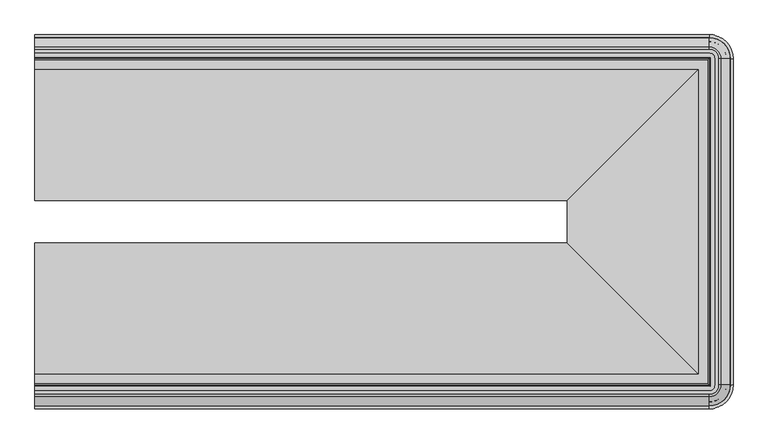
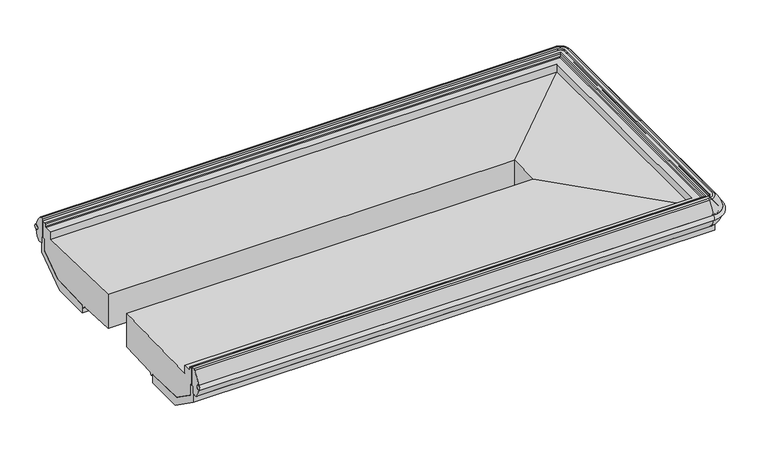
"""IFC4 building model written with IfcOpenShell, lengths in millimetres: proxy geometry."""

from ifc_helpers import new_model, si_unit, point, frame, origin, place, context, project, spatial, polyline, circle_curve, ellipse_curve, trimmed, faceted_brep, source, transform, mapped, element, save
from ifc_brep_helpers import plane_surface, cylinder_surface, revolved_surface, advanced_brep


def mechanical_equipment_14911a53(model_context):
    return source(origin(), model_context, "Body", "SolidModel", [
        advanced_brep(
        [(0.0, -2187.9511755, 564.6206228), (0.0, -1476.8941211, 583.240307), (0.0, -1476.8941211, 330.5006237), (0.0, -1763.1110468, 315.9996591), (0.0, -1778.1929526, 301.7115379), (0.0, -1793.2737198, 315.9985806), (0.0, -2091.4445063, 326.7908623), (0.0, -2254.2926353, 440.8183498), (0.0, -2254.2926353, 529.6852408), (0.0, -2277.0732774, 529.6852408), (0.0, -2277.0732774, 651.1666761), (0.0, -2251.8223149, 651.1666761), (0.0, -2247.771404, 646.4576372), (0.0, -2247.6800766, 625.4643319), (0.0, -2240.6602639, 622.6991544), (0.0, -2187.9511755, 622.6991544), (0.0, -535.7130791, 564.6206228), (0.0, -535.7130791, 622.6991544), (0.0, -483.0039907, 622.6991544), (0.0, -475.984178, 625.4643319), (0.0, -475.8928506, 646.4576372), (0.0, -471.8419397, 651.1666761), (0.0, -446.5909772, 651.1666761), (0.0, -446.5909772, 529.6852408), (0.0, -469.3716193, 529.6852408), (0.0, -469.3716193, 440.8183498), (0.0, -632.2197483, 326.7908623), (0.0, -930.3905348, 315.9985806), (0.0, -945.471302, 301.7115379), (0.0, -960.5532078, 315.9996591), (0.0, -1246.7701335, 330.5006237), (0.0, -1246.7701335, 583.240307), (2880.4869938, -1476.8941211, 583.240307), (3591.5440482, -2187.9511755, 564.6206228), (3591.5440482, -535.7130791, 564.6206228), (2880.4869938, -1246.7701335, 583.240307), (2880.4869938, -1476.8941211, 330.5006237), (2880.4869938, -1246.7701335, 330.5006237), (3166.7039195, -1763.1110468, 315.9996591), (3166.7039195, -960.5532078, 315.9996591), (3181.7858253, -1778.1929526, 301.7115379), (3181.7858253, -945.471302, 301.7115379), (3196.8665925, -1793.2737198, 315.9985806), (3196.8665925, -930.3905348, 315.9985806), (3495.037379, -2091.4445063, 326.7908623), (3495.037379, -632.2197483, 326.7908623), (3657.885508, -2254.2926353, 440.8183498), (3657.885508, -469.3716193, 440.8183498), (3657.885508, -2254.2926353, 529.6852408), (3657.885508, -469.3716193, 529.6852408), (3680.6661501, -2277.0732774, 651.1666761), (3680.6661501, -2277.0732774, 529.6852408), (3680.6661501, -446.5909772, 529.6852408), (3680.6661501, -446.5909772, 651.1666761), (3651.3642767, -2247.771404, 646.4576372), (3655.4151876, -2251.8223149, 651.1666761), (3655.4151876, -471.8419397, 651.1666761), (3651.3642767, -475.8928506, 646.4576372), (3651.2729493, -2247.6800766, 625.4643319), (3651.2729493, -475.984178, 625.4643319), (3644.2531366, -2240.6602639, 622.6991544), (3644.2531366, -483.0039907, 622.6991544), (3591.5440482, -2187.9511755, 622.6991544), (3591.5440482, -535.7130791, 622.6991544)],
        [
            (0, 1),
            (1, 2),
            (2, 3),
            (3, 4),
            (4, 5),
            (5, 6),
            (6, 7),
            (7, 8),
            (8, 9),
            (9, 10),
            (10, 11),
            (11, 12, circle_curve(frame((0.0, -2252.533904, 646.4576372), z_axis=(-1.0, 0.0, 0.0), x_axis=(0.0, 1.0, 0.0)), 4.7625)),
            (12, 13),
            (13, 14),
            (14, 15),
            (15, 0),
            (16, 17),
            (17, 18),
            (18, 19),
            (19, 20),
            (20, 21, circle_curve(frame((0.0, -471.1303506, 646.4576372), z_axis=(-1.0, 0.0, 0.0), x_axis=(0.0, -1.0, 0.0)), 4.7625)),
            (21, 22),
            (22, 23),
            (23, 24),
            (24, 25),
            (25, 26),
            (26, 27),
            (27, 28),
            (28, 29),
            (29, 30),
            (30, 31),
            (31, 16),
            (32, 33),
            (33, 34),
            (34, 35),
            (35, 32),
            (36, 32),
            (35, 37),
            (37, 36),
            (38, 36),
            (37, 39),
            (39, 38),
            (40, 38),
            (39, 41),
            (41, 40),
            (42, 40),
            (41, 43),
            (43, 42),
            (44, 42),
            (43, 45),
            (45, 44),
            (46, 44),
            (45, 47),
            (47, 46),
            (48, 46),
            (47, 49),
            (49, 48),
            (50, 51),
            (51, 52),
            (52, 53),
            (53, 50),
            (54, 55, ellipse_curve(frame((3656.1267767, -2252.533904, 646.4576372), z_axis=(0.7071067811865475, 0.7071067811865475, 0.0), x_axis=(0.7071067811865474, -0.7071067811865476, 0.0)), 6.7351921, 4.7625)),
            (55, 56),
            (56, 57, ellipse_curve(frame((3656.1267767, -471.1303506, 646.4576372), z_axis=(0.7071067811865475, -0.7071067811865475, 0.0), x_axis=(-0.7071067811865474, -0.7071067811865476, 0.0)), 6.7351921, 4.7625)),
            (57, 54),
            (58, 54),
            (57, 59),
            (59, 58),
            (60, 58),
            (59, 61),
            (61, 60),
            (33, 62),
            (62, 63),
            (63, 34),
            (34, 16),
            (31, 35),
            (30, 37),
            (29, 39),
            (28, 41),
            (27, 43),
            (26, 45),
            (25, 47),
            (24, 49),
            (52, 23),
            (22, 53),
            (56, 21),
            (20, 57),
            (19, 59),
            (18, 61),
            (63, 17),
            (0, 33),
            (32, 1),
            (36, 2),
            (38, 3),
            (40, 4),
            (42, 5),
            (44, 6),
            (46, 7),
            (48, 8),
            (51, 9),
            (50, 10),
            (55, 11),
            (54, 12),
            (58, 13),
            (60, 14),
            (62, 15),
        ],
        [
            plane_surface(frame((0.0, -2374.6571273, 0.0), z_axis=(-1.0, 0.0, 0.0), x_axis=(0.0, 0.0, 1.0))),
            plane_surface(frame((0.0, -349.0071273, 0.0), z_axis=(-1.0, 0.0, 0.0), x_axis=(0.0, 0.0, 1.0))),
            plane_surface(frame((3591.5440482, -2187.9511755, 564.6206228), z_axis=(0.0261769483079519, 0.0, 0.9996573249755553), x_axis=(0.0, 1.0, 0.0))),
            plane_surface(frame((2880.4869938, -1476.8941211, 583.240307), z_axis=(-1.0, 0.0, 0.0), x_axis=(0.0, 1.0, 0.0))),
            plane_surface(frame((2880.4869938, -1476.8941211, 330.5006237), z_axis=(-0.05059934604185503, 0.0, -0.9987190326513943), x_axis=(0.0, 1.0, 0.0))),
            plane_surface(frame((3166.7039195, -1763.1110468, 315.9996591), z_axis=(-0.6877446479107929, 0.0, -0.7259526839058175), x_axis=(0.0, 1.0, 0.0))),
            plane_surface(frame((3181.7858253, -1778.1929526, 301.7115379), z_axis=(0.687744647910848, 0.0, -0.7259526839057651), x_axis=(0.0, 1.0, 0.0))),
            plane_surface(frame((3196.8665925, -1793.2737198, 315.9985806), z_axis=(0.036171280996440035, 0.0, -0.9993456050991952), x_axis=(0.0, 1.0, 0.0))),
            plane_surface(frame((3495.037379, -2091.4445063, 326.7908623), z_axis=(0.5735764363510384, 0.0, -0.8191520442889972), x_axis=(0.0, 1.0, 0.0))),
            plane_surface(frame((3657.885508, -2254.2926353, 440.8183498), z_axis=(1.0, 0.0, 0.0), x_axis=(0.0, 1.0, 0.0))),
            plane_surface(frame((3680.6661501, -2277.0732774, 529.6852408), z_axis=(1.0, 0.0, 0.0), x_axis=(0.0, 1.0, 0.0))),
            cylinder_surface(frame((3656.1267767, -2374.6571273, 646.4576372), z_axis=(0.0, -1.0, 0.0), x_axis=(-1.0, 0.0, 0.0)), 4.7625),
            plane_surface(frame((3651.3642767, -2247.771404, 646.4576372), z_axis=(-0.9999905375281688, 0.0, 0.004350270580584213), x_axis=(0.0, 1.0, 0.0))),
            plane_surface(frame((3651.2729493, -2247.6800766, 625.4643319), z_axis=(-0.3665011927547342, 0.0, 0.9304175813629906), x_axis=(0.0, 1.0, 0.0))),
            plane_surface(frame((3591.5440482, -2187.9511755, 622.6991544), z_axis=(-1.0, 0.0, 0.0), x_axis=(0.0, 1.0, 0.0))),
            plane_surface(frame((3591.5440482, -535.7130791, 564.6206228), z_axis=(0.0, 0.0261769483079519, 0.9996573249755553), x_axis=(-1.0, 0.0, 0.0))),
            plane_surface(frame((2880.4869938, -1246.7701335, 583.240307), z_axis=(0.0, -1.0, 0.0), x_axis=(-1.0, 0.0, 0.0))),
            plane_surface(frame((2880.4869938, -1246.7701335, 330.5006237), z_axis=(0.0, -0.05059934604185503, -0.9987190326513943), x_axis=(-1.0, 0.0, 0.0))),
            plane_surface(frame((3166.7039195, -960.5532078, 315.9996591), z_axis=(0.0, -0.6877446479107929, -0.7259526839058175), x_axis=(-1.0, 0.0, 0.0))),
            plane_surface(frame((3181.7858253, -945.471302, 301.7115379), z_axis=(0.0, 0.687744647910848, -0.7259526839057651), x_axis=(-1.0, 0.0, 0.0))),
            plane_surface(frame((3196.8665925, -930.3905348, 315.9985806), z_axis=(0.0, 0.036171280996440035, -0.9993456050991952), x_axis=(-1.0, 0.0, 0.0))),
            plane_surface(frame((3495.037379, -632.2197483, 326.7908623), z_axis=(0.0, 0.5735764363510384, -0.8191520442889972), x_axis=(-1.0, 0.0, 0.0))),
            plane_surface(frame((3657.885508, -469.3716193, 440.8183498), z_axis=(0.0, 1.0, 0.0), x_axis=(-1.0, 0.0, 0.0))),
            plane_surface(frame((3680.6661501, -446.5909772, 529.6852408), z_axis=(0.0, 1.0, 0.0), x_axis=(-1.0, 0.0, 0.0))),
            cylinder_surface(frame((3778.25, -471.1303506, 646.4576372), z_axis=(1.0, 0.0, 0.0), x_axis=(0.0, -1.0, 0.0)), 4.7625),
            plane_surface(frame((3651.3642767, -475.8928506, 646.4576372), z_axis=(0.0, -0.9999905375281688, 0.004350270580584213), x_axis=(-1.0, 0.0, 0.0))),
            plane_surface(frame((3651.2729493, -475.984178, 625.4643319), z_axis=(0.0, -0.3665011927547342, 0.9304175813629906), x_axis=(-1.0, 0.0, 0.0))),
            plane_surface(frame((3591.5440482, -535.7130791, 622.6991544), z_axis=(0.0, -1.0, 0.0), x_axis=(-1.0, 0.0, 0.0))),
            plane_surface(frame((0.0, -2187.9511755, 564.6206228), z_axis=(0.0, -0.0261769483079519, 0.9996573249755553), x_axis=(1.0, 0.0, 0.0))),
            plane_surface(frame((0.0, -1476.8941211, 583.240307), z_axis=(0.0, 1.0, 0.0), x_axis=(1.0, 0.0, 0.0))),
            plane_surface(frame((0.0, -1476.8941211, 330.5006237), z_axis=(0.0, 0.05059934604185503, -0.9987190326513943), x_axis=(1.0, 0.0, 0.0))),
            plane_surface(frame((0.0, -1763.1110468, 315.9996591), z_axis=(0.0, 0.6877446479107929, -0.7259526839058175), x_axis=(1.0, 0.0, 0.0))),
            plane_surface(frame((0.0, -1778.1929526, 301.7115379), z_axis=(0.0, -0.687744647910848, -0.7259526839057651), x_axis=(1.0, 0.0, 0.0))),
            plane_surface(frame((0.0, -1793.2737198, 315.9985806), z_axis=(0.0, -0.036171280996440035, -0.9993456050991952), x_axis=(1.0, 0.0, 0.0))),
            plane_surface(frame((0.0, -2091.4445063, 326.7908623), z_axis=(0.0, -0.5735764363510384, -0.8191520442889972), x_axis=(1.0, 0.0, 0.0))),
            plane_surface(frame((0.0, -2254.2926353, 440.8183498), z_axis=(0.0, -1.0, 0.0), x_axis=(1.0, 0.0, 0.0))),
            plane_surface(frame((0.0, -2254.2926353, 529.6852408), z_axis=(0.0, 0.0, -1.0), x_axis=(1.0, 0.0, 0.0))),
            plane_surface(frame((0.0, -2277.0732774, 529.6852408), z_axis=(0.0, -1.0, 0.0), x_axis=(1.0, 0.0, 0.0))),
            plane_surface(frame((0.0, -2277.0732774, 651.1666761), z_axis=(0.0, 0.0, 1.0), x_axis=(1.0, 0.0, 0.0))),
            cylinder_surface(frame((0.0, -2252.533904, 646.4576372), z_axis=(-1.0, 0.0, 0.0), x_axis=(0.0, 1.0, 0.0)), 4.7625),
            plane_surface(frame((0.0, -2247.771404, 646.4576372), z_axis=(0.0, 0.9999905375281688, 0.004350270580584213), x_axis=(1.0, 0.0, 0.0))),
            plane_surface(frame((0.0, -2247.6800766, 625.4643319), z_axis=(0.0, 0.3665011927547342, 0.9304175813629906), x_axis=(1.0, 0.0, 0.0))),
            plane_surface(frame((0.0, -2240.6602639, 622.6991544), z_axis=(0.0, 0.0, 1.0), x_axis=(1.0, 0.0, 0.0))),
            plane_surface(frame((0.0, -2187.9511755, 622.6991544), z_axis=(0.0, 1.0, 0.0), x_axis=(1.0, 0.0, 0.0))),
        ],
        [
            (0, [[1, 2, 3, 4, 5, 6, 7, 8, 9, 10, 11, 12, 13, 14, 15, 16]]),
            (1, [[17, 18, 19, 20, 21, 22, 23, 24, 25, 26, 27, 28, 29, 30, 31, 32]]),
            (2, [[33, 34, 35, 36]]),
            (3, [[37, -36, 38, 39]]),
            (4, [[40, -39, 41, 42]]),
            (5, [[43, -42, 44, 45]]),
            (6, [[46, -45, 47, 48]]),
            (7, [[49, -48, 50, 51]]),
            (8, [[52, -51, 53, 54]]),
            (9, [[55, -54, 56, 57]]),
            (10, [[58, 59, 60, 61]]),
            (11, [[62, 63, 64, 65]]),
            (12, [[66, -65, 67, 68]]),
            (13, [[69, -68, 70, 71]]),
            (14, [[72, 73, 74, -34]]),
            (15, [[-35, 75, -32, 76]]),
            (16, [[-38, -76, -31, 77]]),
            (17, [[-41, -77, -30, 78]]),
            (18, [[-44, -78, -29, 79]]),
            (19, [[-47, -79, -28, 80]]),
            (20, [[-50, -80, -27, 81]]),
            (21, [[-53, -81, -26, 82]]),
            (22, [[-56, -82, -25, 83]]),
            (23, [[-60, 84, -23, 85]]),
            (24, [[-64, 86, -21, 87]]),
            (25, [[-67, -87, -20, 88]]),
            (26, [[-70, -88, -19, 89]]),
            (27, [[-74, 90, -17, -75]]),
            (28, [[-1, 91, -33, 92]]),
            (29, [[-2, -92, -37, 93]]),
            (30, [[-3, -93, -40, 94]]),
            (31, [[-4, -94, -43, 95]]),
            (32, [[-5, -95, -46, 96]]),
            (33, [[-6, -96, -49, 97]]),
            (34, [[-7, -97, -52, 98]]),
            (35, [[-8, -98, -55, 99]]),
            (36, [[-9, -99, -57, -83, -24, -84, -59, 100]]),
            (37, [[-10, -100, -58, 101]]),
            (38, [[-11, -101, -61, -85, -22, -86, -63, 102]]),
            (39, [[-12, -102, -62, 103]]),
            (40, [[-13, -103, -66, 104]]),
            (41, [[-14, -104, -69, 105]]),
            (42, [[-15, -105, -71, -89, -18, -90, -73, 106]]),
            (43, [[-16, -106, -72, -91]]),
        ],
    ),
        advanced_brep(
        [(0.0, -363.9201502, 541.7869334), (0.0, -364.5762737, 576.4502877), (0.0, -2359.7441044, 541.7869334), (0.0, -2359.0879809, 576.4502877), (3649.7127227, -363.9201502, 541.7869334), (3649.7127227, -364.5762737, 576.4502877), (3762.6808536, -477.5444046, 576.4502877), (3763.3369771, -477.5444046, 541.7869334), (3763.3369771, -2246.11985, 541.7869334), (3762.6808536, -2246.11985, 576.4502877), (3649.7127227, -2359.0879809, 576.4502877), (3649.7127227, -2359.7441044, 541.7869334)],
        [
            (0, 1, circle_curve(frame((0.0, -366.6103656, 559.0738987), z_axis=(-1.0, 0.0, 0.0), x_axis=(0.0, 1.0, 0.0)), 17.49504)),
            (1, 0, circle_curve(frame((0.0, -366.6103656, 559.0738987), z_axis=(-1.0, 0.0, 0.0), x_axis=(0.0, 1.0, 0.0)), 17.49504)),
            (2, 3, circle_curve(frame((0.0, -2357.053889, 559.0738987), z_axis=(-1.0, 0.0, 0.0), x_axis=(0.0, -1.0, 0.0)), 17.49504)),
            (3, 2, circle_curve(frame((0.0, -2357.053889, 559.0738987), z_axis=(-1.0, 0.0, 0.0), x_axis=(0.0, -1.0, 0.0)), 17.49504)),
            (0, 4),
            (4, 5, circle_curve(frame((3649.7127227, -366.6103656, 559.0738987), z_axis=(-1.0, 0.0, 0.0), x_axis=(0.0, 1.0, 0.0)), 17.49504)),
            (5, 1),
            (5, 4, circle_curve(frame((3649.7127227, -366.6103656, 559.0738987), z_axis=(-1.0, 0.0, 0.0), x_axis=(0.0, 1.0, 0.0)), 17.49504)),
            (6, 5, circle_curve(frame((3649.7127227, -477.5444046, 576.4502877), z_axis=(0.0, 0.0, 1.0), x_axis=(0.0, 1.0, 0.0)), 112.9681309)),
            (4, 7, circle_curve(frame((3649.7127227, -477.5444046, 541.7869334), z_axis=(0.0, 0.0, -1.0), x_axis=(0.0, 1.0, 0.0)), 113.6242544)),
            (7, 6, circle_curve(frame((3760.6467617, -477.5444046, 559.0738987), z_axis=(0.0, 1.0, 0.0), x_axis=(1.0, 0.0, 0.0)), 17.49504)),
            (6, 7, circle_curve(frame((3760.6467617, -477.5444046, 559.0738987), z_axis=(0.0, 1.0, 0.0), x_axis=(1.0, 0.0, 0.0)), 17.49504)),
            (7, 8),
            (8, 9, circle_curve(frame((3760.6467617, -2246.11985, 559.0738987), z_axis=(0.0, 1.0, 0.0), x_axis=(1.0, 0.0, 0.0)), 17.49504)),
            (9, 6),
            (9, 8, circle_curve(frame((3760.6467617, -2246.11985, 559.0738987), z_axis=(0.0, 1.0, 0.0), x_axis=(1.0, 0.0, 0.0)), 17.49504)),
            (10, 9, circle_curve(frame((3649.7127227, -2246.11985, 576.4502877), z_axis=(0.0, 0.0, 1.0), x_axis=(1.0, 0.0, 0.0)), 112.9681309)),
            (8, 11, circle_curve(frame((3649.7127227, -2246.11985, 541.7869334), z_axis=(0.0, 0.0, -1.0), x_axis=(1.0, 0.0, 0.0)), 113.6242544)),
            (11, 10, circle_curve(frame((3649.7127227, -2357.053889, 559.0738987), z_axis=(1.0, 0.0, 0.0), x_axis=(0.0, -1.0, 0.0)), 17.49504)),
            (10, 11, circle_curve(frame((3649.7127227, -2357.053889, 559.0738987), z_axis=(1.0, 0.0, 0.0), x_axis=(0.0, -1.0, 0.0)), 17.49504)),
            (11, 2),
            (3, 10),
        ],
        [
            plane_surface(frame((0.0, -401.3444046, 0.0), z_axis=(-1.0, 0.0, 0.0), x_axis=(0.0, 0.0, 1.0))),
            plane_surface(frame((0.0, -2322.31985, 0.0), z_axis=(-1.0, 0.0, 0.0), x_axis=(0.0, 0.0, 1.0))),
            cylinder_surface(frame((0.0, -366.6103656, 559.0738987), z_axis=(-1.0, 0.0, 0.0), x_axis=(0.0, 1.0, 0.0)), 17.49504),
            revolved_surface(trimmed(ellipse_curve(frame((3649.7127227, -366.6103656, 559.0738987), z_axis=(-1.0, 0.0, 0.0), x_axis=(0.0, 1.0, 0.0)), 17.49504, 17.49504), [point((3649.7127227, -363.9201502, 541.7869334))], [point((3649.7127227, -364.5762737, 576.4502877))], True, "CARTESIAN"), (3649.7127227, -477.5444046, 0.0), (0.0, 0.0, -1.0)),
            revolved_surface(trimmed(ellipse_curve(frame((3649.7127227, -366.6103656, 559.0738987), z_axis=(-1.0, 0.0, 0.0), x_axis=(0.0, 1.0, 0.0)), 17.49504, 17.49504), [point((3649.7127227, -364.5762737, 576.4502877))], [point((3649.7127227, -363.9201502, 541.7869334))], True, "CARTESIAN"), (3649.7127227, -477.5444046, 0.0), (0.0, 0.0, -1.0)),
            cylinder_surface(frame((3760.6467617, -477.5444046, 559.0738987), z_axis=(0.0, 1.0, 0.0), x_axis=(1.0, 0.0, 0.0)), 17.49504),
            revolved_surface(trimmed(ellipse_curve(frame((3760.6467617, -2246.11985, 559.0738987), z_axis=(0.0, 1.0, 0.0), x_axis=(1.0, 0.0, 0.0)), 17.49504, 17.49504), [point((3763.3369771, -2246.11985, 541.7869334))], [point((3762.6808536, -2246.11985, 576.4502877))], True, "CARTESIAN"), (3649.7127227, -2246.11985, 0.0), (0.0, 0.0, -1.0)),
            revolved_surface(trimmed(ellipse_curve(frame((3760.6467617, -2246.11985, 559.0738987), z_axis=(0.0, 1.0, 0.0), x_axis=(1.0, 0.0, 0.0)), 17.49504, 17.49504), [point((3762.6808536, -2246.11985, 576.4502877))], [point((3763.3369771, -2246.11985, 541.7869334))], True, "CARTESIAN"), (3649.7127227, -2246.11985, 0.0), (0.0, 0.0, -1.0)),
            cylinder_surface(frame((3649.7127227, -2357.053889, 559.0738987), z_axis=(1.0, 0.0, 0.0), x_axis=(0.0, -1.0, 0.0)), 17.49504),
        ],
        [
            (0, [[1, 2]]),
            (1, [[3, 4]]),
            (2, [[-1, 5, 6, 7]]),
            (2, [[-2, -7, 8, -5]]),
            (3, [[9, -6, 10, 11]]),
            (4, [[-10, -8, -9, 12]]),
            (5, [[-11, 13, 14, 15]]),
            (5, [[-12, -15, 16, -13]]),
            (6, [[17, -14, 18, 19]]),
            (7, [[-18, -16, -17, 20]]),
            (8, [[-19, 21, -4, 22]]),
            (8, [[-20, -22, -3, -21]]),
        ],
    ),
        advanced_brep(
        [(0.0, -2308.2910007, 660.3792394), (0.0, -2297.5045779, 664.6065482), (0.0, -2277.0732774, 664.6065482), (0.0, -2277.0732774, 529.6852408), (0.0, -2292.6339353, 529.6852408), (0.0, -2292.6339353, 475.7067482), (0.0, -2324.809578, 475.7067482), (0.0, -2329.5709034, 477.8552864), (0.0, -2359.7441044, 541.7869334), (0.0, -2359.0879809, 576.4502877), (0.0, -415.3732539, 660.3792394), (0.0, -364.5762737, 576.4502877), (0.0, -363.9201502, 541.7869334), (0.0, -394.0933512, 477.8552864), (0.0, -398.8546766, 475.7067482), (0.0, -431.0303193, 475.7067482), (0.0, -431.0303193, 529.6852408), (0.0, -446.5909772, 529.6852408), (0.0, -446.5909772, 664.6065482), (0.0, -426.1596766, 664.6065482), (3701.0974506, -2246.11985, 664.6065482), (3649.7127227, -2297.5045779, 664.6065482), (3649.7127227, -2308.2910007, 660.3792394), (3711.8838734, -2246.11985, 660.3792394), (3680.6661501, -2246.11985, 529.6852408), (3649.7127227, -2277.0732774, 529.6852408), (3649.7127227, -2277.0732774, 664.6065482), (3680.6661501, -2246.11985, 664.6065482), (3696.226808, -2246.11985, 475.7067482), (3649.7127227, -2292.6339353, 475.7067482), (3649.7127227, -2292.6339353, 529.6852408), (3696.226808, -2246.11985, 529.6852408), (3733.1637761, -2246.11985, 477.8552864), (3649.7127227, -2329.5709034, 477.8552864), (3649.7127227, -2324.809578, 475.7067482), (3728.4024507, -2246.11985, 475.7067482), (3763.3369771, -2246.11985, 541.7869334), (3649.7127227, -2359.7441044, 541.7869334), (3762.6808536, -2246.11985, 576.4502877), (3649.7127227, -2359.0879809, 576.4502877), (3711.8838734, -477.5444046, 660.3792394), (3701.0974506, -477.5444046, 664.6065482), (3680.6661501, -477.5444046, 664.6065482), (3680.6661501, -477.5444046, 529.6852408), (3696.226808, -477.5444046, 529.6852408), (3696.226808, -477.5444046, 475.7067482), (3728.4024507, -477.5444046, 475.7067482), (3733.1637761, -477.5444046, 477.8552864), (3763.3369771, -477.5444046, 541.7869334), (3762.6808536, -477.5444046, 576.4502877), (3649.7127227, -426.1596766, 664.6065482), (3649.7127227, -415.3732539, 660.3792394), (3649.7127227, -446.5909772, 529.6852408), (3649.7127227, -446.5909772, 664.6065482), (3649.7127227, -431.0303193, 475.7067482), (3649.7127227, -431.0303193, 529.6852408), (3649.7127227, -394.0933512, 477.8552864), (3649.7127227, -398.8546766, 475.7067482), (3649.7127227, -363.9201502, 541.7869334), (3649.7127227, -364.5762737, 576.4502877)],
        [
            (0, 1, circle_curve(frame((0.0, -2297.5045779, 648.7315482), z_axis=(-1.0, 0.0, 0.0), x_axis=(0.0, 1.0, 0.0)), 15.875)),
            (1, 2),
            (2, 3),
            (3, 4),
            (4, 5),
            (5, 6),
            (6, 7, circle_curve(frame((0.0, -2324.809578, 482.0567481), z_axis=(-1.0, 0.0, 0.0), x_axis=(0.0, 1.0, 0.0)), 6.35)),
            (7, 8, circle_curve(frame((0.0, -2234.3443955, 561.8845207), z_axis=(-1.0, 0.0, 0.0), x_axis=(0.0, 1.0, 0.0)), 127.0)),
            (8, 9, circle_curve(frame((0.0, -2357.053889, 559.0738987), z_axis=(1.0, 0.0, 0.0), x_axis=(0.0, 1.0, 0.0)), 17.49504)),
            (9, 0, circle_curve(frame((0.0, -2187.4830663, 529.9250981), z_axis=(-1.0, 0.0, 0.0), x_axis=(0.0, 1.0, 0.0)), 177.7999999)),
            (10, 11, circle_curve(frame((0.0, -536.1811883, 529.9250981), z_axis=(-1.0, 0.0, 0.0), x_axis=(0.0, -1.0, 0.0)), 177.7999999)),
            (11, 12, circle_curve(frame((0.0, -366.6103656, 559.0738987), z_axis=(1.0, 0.0, 0.0), x_axis=(0.0, -1.0, 0.0)), 17.49504)),
            (12, 13, circle_curve(frame((0.0, -489.3198591, 561.8845207), z_axis=(-1.0, 0.0, 0.0), x_axis=(0.0, -1.0, 0.0)), 127.0)),
            (13, 14, circle_curve(frame((0.0, -398.8546766, 482.0567481), z_axis=(-1.0, 0.0, 0.0), x_axis=(0.0, -1.0, 0.0)), 6.35)),
            (14, 15),
            (15, 16),
            (16, 17),
            (17, 18),
            (18, 19),
            (19, 10, circle_curve(frame((0.0, -426.1596766, 648.7315482), z_axis=(-1.0, 0.0, 0.0), x_axis=(0.0, -1.0, 0.0)), 15.875)),
            (20, 21, circle_curve(frame((3649.7127227, -2246.11985, 664.6065482), z_axis=(0.0, 0.0, -1.0), x_axis=(0.0, -1.0, 0.0)), 51.3847279)),
            (21, 22, circle_curve(frame((3649.7127227, -2297.5045779, 648.7315482), z_axis=(1.0, 0.0, 0.0), x_axis=(0.0, 1.0, 0.0)), 15.875)),
            (22, 23, circle_curve(frame((3649.7127227, -2246.11985, 660.3792394), z_axis=(0.0, 0.0, 1.0), x_axis=(0.0, -1.0, 0.0)), 62.1711507)),
            (23, 20, circle_curve(frame((3701.0974506, -2246.11985, 648.7315482), z_axis=(0.0, -1.0, 0.0), x_axis=(-1.0, 0.0, 0.0)), 15.875)),
            (24, 25, circle_curve(frame((3649.7127227, -2246.11985, 529.6852408), z_axis=(0.0, 0.0, -1.0), x_axis=(0.0, -1.0, 0.0)), 30.9534273)),
            (25, 26),
            (26, 27, circle_curve(frame((3649.7127227, -2246.11985, 664.6065482), z_axis=(0.0, 0.0, 1.0), x_axis=(0.0, -1.0, 0.0)), 30.9534273)),
            (27, 24),
            (28, 29, circle_curve(frame((3649.7127227, -2246.11985, 475.7067482), z_axis=(0.0, 0.0, -1.0), x_axis=(0.0, -1.0, 0.0)), 46.5140852)),
            (29, 30),
            (30, 31, circle_curve(frame((3649.7127227, -2246.11985, 529.6852408), z_axis=(0.0, 0.0, 1.0), x_axis=(0.0, -1.0, 0.0)), 46.5140852)),
            (31, 28),
            (32, 33, circle_curve(frame((3649.7127227, -2246.11985, 477.8552864), z_axis=(0.0, 0.0, -1.0), x_axis=(0.0, -1.0, 0.0)), 83.4510533)),
            (33, 34, circle_curve(frame((3649.7127227, -2324.809578, 482.0567481), z_axis=(1.0, 0.0, 0.0), x_axis=(0.0, 1.0, 0.0)), 6.35)),
            (34, 35, circle_curve(frame((3649.7127227, -2246.11985, 475.7067482), z_axis=(0.0, 0.0, 1.0), x_axis=(0.0, -1.0, 0.0)), 78.689728)),
            (35, 32, circle_curve(frame((3728.4024507, -2246.11985, 482.0567481), z_axis=(0.0, -1.0, 0.0), x_axis=(-1.0, 0.0, 0.0)), 6.35)),
            (36, 37, circle_curve(frame((3649.7127227, -2246.11985, 541.7869334), z_axis=(0.0, 0.0, -1.0), x_axis=(0.0, -1.0, 0.0)), 113.6242544)),
            (37, 33, circle_curve(frame((3649.7127227, -2234.3443955, 561.8845207), z_axis=(1.0, 0.0, 0.0), x_axis=(0.0, 1.0, 0.0)), 127.0)),
            (32, 36, circle_curve(frame((3637.9372682, -2246.11985, 561.8845207), z_axis=(0.0, -1.0, 0.0), x_axis=(-1.0, 0.0, 0.0)), 127.0)),
            (38, 39, circle_curve(frame((3649.7127227, -2246.11985, 576.4502877), z_axis=(0.0, 0.0, -1.0), x_axis=(0.0, -1.0, 0.0)), 112.9681309)),
            (39, 37, circle_curve(frame((3649.7127227, -2357.053889, 559.0738987), z_axis=(-1.0, 0.0, 0.0), x_axis=(0.0, 1.0, 0.0)), 17.49504)),
            (36, 38, circle_curve(frame((3760.6467617, -2246.11985, 559.0738987), z_axis=(0.0, 1.0, 0.0), x_axis=(-1.0, 0.0, 0.0)), 17.49504)),
            (22, 39, circle_curve(frame((3649.7127227, -2187.4830663, 529.9250981), z_axis=(1.0, 0.0, 0.0), x_axis=(0.0, 1.0, 0.0)), 177.7999999)),
            (38, 23, circle_curve(frame((3591.075939, -2246.11985, 529.9250981), z_axis=(0.0, -1.0, 0.0), x_axis=(-1.0, 0.0, 0.0)), 177.7999999)),
            (23, 40),
            (40, 41, circle_curve(frame((3701.0974506, -477.5444046, 648.7315482), z_axis=(0.0, -1.0, 0.0), x_axis=(-1.0, 0.0, 0.0)), 15.875)),
            (41, 20),
            (27, 42),
            (42, 43),
            (43, 24),
            (31, 44),
            (44, 45),
            (45, 28),
            (35, 46),
            (46, 47, circle_curve(frame((3728.4024507, -477.5444046, 482.0567481), z_axis=(0.0, -1.0, 0.0), x_axis=(-1.0, 0.0, 0.0)), 6.35)),
            (47, 32),
            (47, 48, circle_curve(frame((3637.9372682, -477.5444046, 561.8845207), z_axis=(0.0, -1.0, 0.0), x_axis=(-1.0, 0.0, 0.0)), 127.0)),
            (48, 36),
            (48, 49, circle_curve(frame((3760.6467617, -477.5444046, 559.0738987), z_axis=(0.0, 1.0, 0.0), x_axis=(-1.0, 0.0, 0.0)), 17.49504)),
            (49, 38),
            (49, 40, circle_curve(frame((3591.075939, -477.5444046, 529.9250981), z_axis=(0.0, -1.0, 0.0), x_axis=(-1.0, 0.0, 0.0)), 177.7999999)),
            (50, 41, circle_curve(frame((3649.7127227, -477.5444046, 664.6065482), z_axis=(0.0, 0.0, -1.0), x_axis=(1.0, 0.0, 0.0)), 51.3847279)),
            (40, 51, circle_curve(frame((3649.7127227, -477.5444046, 660.3792394), z_axis=(0.0, 0.0, 1.0), x_axis=(1.0, 0.0, 0.0)), 62.1711507)),
            (51, 50, circle_curve(frame((3649.7127227, -426.1596766, 648.7315482), z_axis=(1.0, 0.0, 0.0), x_axis=(0.0, -1.0, 0.0)), 15.875)),
            (52, 43, circle_curve(frame((3649.7127227, -477.5444046, 529.6852408), z_axis=(0.0, 0.0, -1.0), x_axis=(1.0, 0.0, 0.0)), 30.9534273)),
            (42, 53, circle_curve(frame((3649.7127227, -477.5444046, 664.6065482), z_axis=(0.0, 0.0, 1.0), x_axis=(1.0, 0.0, 0.0)), 30.9534273)),
            (53, 52),
            (54, 45, circle_curve(frame((3649.7127227, -477.5444046, 475.7067482), z_axis=(0.0, 0.0, -1.0), x_axis=(1.0, 0.0, 0.0)), 46.5140852)),
            (44, 55, circle_curve(frame((3649.7127227, -477.5444046, 529.6852408), z_axis=(0.0, 0.0, 1.0), x_axis=(1.0, 0.0, 0.0)), 46.5140852)),
            (55, 54),
            (56, 47, circle_curve(frame((3649.7127227, -477.5444046, 477.8552864), z_axis=(0.0, 0.0, -1.0), x_axis=(1.0, 0.0, 0.0)), 83.4510533)),
            (46, 57, circle_curve(frame((3649.7127227, -477.5444046, 475.7067482), z_axis=(0.0, 0.0, 1.0), x_axis=(1.0, 0.0, 0.0)), 78.689728)),
            (57, 56, circle_curve(frame((3649.7127227, -398.8546766, 482.0567481), z_axis=(1.0, 0.0, 0.0), x_axis=(0.0, -1.0, 0.0)), 6.35)),
            (58, 48, circle_curve(frame((3649.7127227, -477.5444046, 541.7869334), z_axis=(0.0, 0.0, -1.0), x_axis=(1.0, 0.0, 0.0)), 113.6242544)),
            (56, 58, circle_curve(frame((3649.7127227, -489.3198591, 561.8845207), z_axis=(1.0, 0.0, 0.0), x_axis=(0.0, -1.0, 0.0)), 127.0)),
            (59, 49, circle_curve(frame((3649.7127227, -477.5444046, 576.4502877), z_axis=(0.0, 0.0, -1.0), x_axis=(1.0, 0.0, 0.0)), 112.9681309)),
            (58, 59, circle_curve(frame((3649.7127227, -366.6103656, 559.0738987), z_axis=(-1.0, 0.0, 0.0), x_axis=(0.0, -1.0, 0.0)), 17.49504)),
            (59, 51, circle_curve(frame((3649.7127227, -536.1811883, 529.9250981), z_axis=(1.0, 0.0, 0.0), x_axis=(0.0, -1.0, 0.0)), 177.7999999)),
            (51, 10),
            (19, 50),
            (53, 18),
            (17, 52),
            (55, 16),
            (15, 54),
            (57, 14),
            (13, 56),
            (12, 58),
            (11, 59),
            (0, 22),
            (21, 1),
            (26, 2),
            (25, 3),
            (30, 4),
            (29, 5),
            (34, 6),
            (33, 7),
            (37, 8),
            (39, 9),
        ],
        [
            plane_surface(frame((0.0, -2322.31985, 0.0), z_axis=(-1.0, 0.0, 0.0), x_axis=(0.0, 0.0, 1.0))),
            plane_surface(frame((0.0, -401.3444046, 0.0), z_axis=(-1.0, 0.0, 0.0), x_axis=(0.0, 0.0, 1.0))),
            revolved_surface(trimmed(ellipse_curve(frame((3649.7127227, -2297.5045779, 648.7315482), z_axis=(-1.0, 0.0, 0.0), x_axis=(0.0, 1.0, 0.0)), 15.875, 15.875), [point((3649.7127227, -2308.2910007, 660.3792394))], [point((3649.7127227, -2297.5045779, 664.6065482))], True, "CARTESIAN"), (3649.7127227, -2246.11985, 0.0), (0.0, 0.0, 1.0)),
            revolved_surface(polyline([(3649.7127227, -2277.0732773, 664.6065482), (3649.7127227, -2277.0732773, 529.6852408)]), (3649.7127227, -2246.11985, 0.0), (0.0, 0.0, 1.0)),
            revolved_surface(polyline([(3649.7127227, -2292.6339352, 529.6852408), (3649.7127227, -2292.6339352, 475.7067482)]), (3649.7127227, -2246.11985, 0.0), (0.0, 0.0, 1.0)),
            revolved_surface(trimmed(ellipse_curve(frame((3649.7127227, -2324.809578, 482.0567481), z_axis=(-1.0, 0.0, 0.0), x_axis=(0.0, 1.0, 0.0)), 6.35, 6.35), [point((3649.7127227, -2324.809578, 475.7067482))], [point((3649.7127227, -2329.5709034, 477.8552864))], True, "CARTESIAN"), (3649.7127227, -2246.11985, 0.0), (0.0, 0.0, 1.0)),
            revolved_surface(trimmed(ellipse_curve(frame((3649.7127227, -2234.3443955, 561.8845207), z_axis=(-1.0, 0.0, 0.0), x_axis=(0.0, 1.0, 0.0)), 127.0, 127.0), [point((3649.7127227, -2329.5709034, 477.8552864))], [point((3649.7127227, -2359.7441044, 541.7869334))], True, "CARTESIAN"), (3649.7127227, -2246.11985, 0.0), (0.0, 0.0, 1.0)),
            revolved_surface(trimmed(ellipse_curve(frame((3649.7127227, -2357.053889, 559.0738987), z_axis=(1.0, 0.0, 0.0), x_axis=(0.0, 1.0, 0.0)), 17.49504, 17.49504), [point((3649.7127227, -2359.7441044, 541.7869334))], [point((3649.7127227, -2359.0879809, 576.4502877))], True, "CARTESIAN"), (3649.7127227, -2246.11985, 0.0), (0.0, 0.0, 1.0)),
            revolved_surface(trimmed(ellipse_curve(frame((3649.7127227, -2187.4830663, 529.9250981), z_axis=(-1.0, 0.0, 0.0), x_axis=(0.0, 1.0, 0.0)), 177.7999999, 177.7999999), [point((3649.7127227, -2359.0879809, 576.4502877))], [point((3649.7127227, -2308.2910007, 660.3792394))], True, "CARTESIAN"), (3649.7127227, -2246.11985, 0.0), (0.0, 0.0, 1.0)),
            cylinder_surface(frame((3701.0974506, -2246.11985, 648.7315482), z_axis=(0.0, -1.0, 0.0), x_axis=(-1.0, 0.0, 0.0)), 15.875),
            plane_surface(frame((3680.6661501, -2246.11985, 664.6065482), z_axis=(-1.0, 0.0, 0.0), x_axis=(0.0, 1.0, 0.0))),
            plane_surface(frame((3696.226808, -2246.11985, 529.6852408), z_axis=(-1.0, 0.0, 0.0), x_axis=(0.0, 1.0, 0.0))),
            cylinder_surface(frame((3728.4024507, -2246.11985, 482.0567481), z_axis=(0.0, -1.0, 0.0), x_axis=(-1.0, 0.0, 0.0)), 6.35),
            cylinder_surface(frame((3637.9372682, -2246.11985, 561.8845207), z_axis=(0.0, -1.0, 0.0), x_axis=(-1.0, 0.0, 0.0)), 127.0),
            revolved_surface(polyline([(3743.1517217, -477.5444046, 559.0738987), (3743.1517217, -2246.11985, 559.0738987)]), (3760.6467617, -2246.11985, 559.0738987), (0.0, 1.0, 0.0)),
            cylinder_surface(frame((3591.075939, -2246.11985, 529.9250981), z_axis=(0.0, -1.0, 0.0), x_axis=(-1.0, 0.0, 0.0)), 177.7999999),
            revolved_surface(trimmed(ellipse_curve(frame((3701.0974506, -477.5444046, 648.7315482), z_axis=(0.0, -1.0, 0.0), x_axis=(-1.0, 0.0, 0.0)), 15.875, 15.875), [point((3711.8838734, -477.5444046, 660.3792394))], [point((3701.0974506, -477.5444046, 664.6065482))], True, "CARTESIAN"), (3649.7127227, -477.5444046, 0.0), (0.0, 0.0, 1.0)),
            revolved_surface(polyline([(3680.66615, -477.5444046, 664.6065482), (3680.66615, -477.5444046, 529.6852408)]), (3649.7127227, -477.5444046, 0.0), (0.0, 0.0, 1.0)),
            revolved_surface(polyline([(3696.2268079, -477.5444046, 529.6852408), (3696.2268079, -477.5444046, 475.7067482)]), (3649.7127227, -477.5444046, 0.0), (0.0, 0.0, 1.0)),
            revolved_surface(trimmed(ellipse_curve(frame((3728.4024507, -477.5444046, 482.0567481), z_axis=(0.0, -1.0, 0.0), x_axis=(-1.0, 0.0, 0.0)), 6.35, 6.35), [point((3728.4024507, -477.5444046, 475.7067482))], [point((3733.1637761, -477.5444046, 477.8552864))], True, "CARTESIAN"), (3649.7127227, -477.5444046, 0.0), (0.0, 0.0, 1.0)),
            revolved_surface(trimmed(ellipse_curve(frame((3637.9372682, -477.5444046, 561.8845207), z_axis=(0.0, -1.0, 0.0), x_axis=(-1.0, 0.0, 0.0)), 127.0, 127.0), [point((3733.1637761, -477.5444046, 477.8552864))], [point((3763.3369771, -477.5444046, 541.7869334))], True, "CARTESIAN"), (3649.7127227, -477.5444046, 0.0), (0.0, 0.0, 1.0)),
            revolved_surface(trimmed(ellipse_curve(frame((3760.6467617, -477.5444046, 559.0738987), z_axis=(0.0, 1.0, 0.0), x_axis=(-1.0, 0.0, 0.0)), 17.49504, 17.49504), [point((3763.3369771, -477.5444046, 541.7869334))], [point((3762.6808536, -477.5444046, 576.4502877))], True, "CARTESIAN"), (3649.7127227, -477.5444046, 0.0), (0.0, 0.0, 1.0)),
            revolved_surface(trimmed(ellipse_curve(frame((3591.075939, -477.5444046, 529.9250981), z_axis=(0.0, -1.0, 0.0), x_axis=(-1.0, 0.0, 0.0)), 177.7999999, 177.7999999), [point((3762.6808536, -477.5444046, 576.4502877))], [point((3711.8838734, -477.5444046, 660.3792394))], True, "CARTESIAN"), (3649.7127227, -477.5444046, 0.0), (0.0, 0.0, 1.0)),
            cylinder_surface(frame((3649.7127227, -426.1596766, 648.7315482), z_axis=(1.0, 0.0, 0.0), x_axis=(0.0, -1.0, 0.0)), 15.875),
            plane_surface(frame((3649.7127227, -446.5909772, 664.6065482), z_axis=(0.0, -1.0, 0.0), x_axis=(-1.0, 0.0, 0.0))),
            plane_surface(frame((3649.7127227, -431.0303193, 529.6852408), z_axis=(0.0, -1.0, 0.0), x_axis=(-1.0, 0.0, 0.0))),
            cylinder_surface(frame((3649.7127227, -398.8546766, 482.0567481), z_axis=(1.0, 0.0, 0.0), x_axis=(0.0, -1.0, 0.0)), 6.35),
            cylinder_surface(frame((3649.7127227, -489.3198591, 561.8845207), z_axis=(1.0, 0.0, 0.0), x_axis=(0.0, -1.0, 0.0)), 127.0),
            revolved_surface(polyline([(0.0, -384.10540560000004, 559.0738987), (3649.7127227, -384.10540560000004, 559.0738987)]), (3649.7127227, -366.6103656, 559.0738987), (-1.0, 0.0, 0.0)),
            cylinder_surface(frame((3649.7127227, -536.1811883, 529.9250981), z_axis=(1.0, 0.0, 0.0), x_axis=(0.0, -1.0, 0.0)), 177.7999999),
            cylinder_surface(frame((0.0, -2297.5045779, 648.7315482), z_axis=(-1.0, 0.0, 0.0), x_axis=(0.0, 1.0, 0.0)), 15.875),
            plane_surface(frame((0.0, -2297.5045779, 664.6065482), z_axis=(0.0, 0.0, 1.0), x_axis=(1.0, 0.0, 0.0))),
            plane_surface(frame((0.0, -2277.0732774, 664.6065482), z_axis=(0.0, 1.0, 0.0), x_axis=(1.0, 0.0, 0.0))),
            plane_surface(frame((0.0, -2277.0732774, 529.6852408), z_axis=(0.0, 0.0, -1.0), x_axis=(1.0, 0.0, 0.0))),
            plane_surface(frame((0.0, -2292.6339353, 529.6852408), z_axis=(0.0, 1.0, 0.0), x_axis=(1.0, 0.0, 0.0))),
            plane_surface(frame((0.0, -2292.6339353, 475.7067482), z_axis=(0.0, 0.0, -1.0), x_axis=(1.0, 0.0, 0.0))),
            cylinder_surface(frame((0.0, -2324.809578, 482.0567481), z_axis=(-1.0, 0.0, 0.0), x_axis=(0.0, 1.0, 0.0)), 6.35),
            cylinder_surface(frame((0.0, -2234.3443955, 561.8845207), z_axis=(-1.0, 0.0, 0.0), x_axis=(0.0, 1.0, 0.0)), 127.0),
            revolved_surface(polyline([(3649.7127227, -2339.558849, 559.0738987), (0.0, -2339.558849, 559.0738987)]), (0.0, -2357.053889, 559.0738987), (1.0, 0.0, 0.0)),
            cylinder_surface(frame((0.0, -2187.4830663, 529.9250981), z_axis=(-1.0, 0.0, 0.0), x_axis=(0.0, 1.0, 0.0)), 177.7999999),
        ],
        [
            (0, [[1, 2, 3, 4, 5, 6, 7, 8, 9, 10]]),
            (1, [[11, 12, 13, 14, 15, 16, 17, 18, 19, 20]]),
            (2, [[21, 22, 23, 24]]),
            (3, [[25, 26, 27, 28]]),
            (4, [[29, 30, 31, 32]]),
            (5, [[33, 34, 35, 36]]),
            (6, [[37, 38, -33, 39]]),
            (7, [[40, 41, -37, 42]]),
            (8, [[-23, 43, -40, 44]]),
            (9, [[-24, 45, 46, 47]]),
            (10, [[-28, 48, 49, 50]]),
            (11, [[-32, 51, 52, 53]]),
            (12, [[-36, 54, 55, 56]]),
            (13, [[-39, -56, 57, 58]]),
            (14, [[-42, -58, 59, 60]]),
            (15, [[-44, -60, 61, -45]]),
            (16, [[62, -46, 63, 64]]),
            (17, [[65, -49, 66, 67]]),
            (18, [[68, -52, 69, 70]]),
            (19, [[71, -55, 72, 73]]),
            (20, [[74, -57, -71, 75]]),
            (21, [[76, -59, -74, 77]]),
            (22, [[-63, -61, -76, 78]]),
            (23, [[-64, 79, -20, 80]]),
            (24, [[-67, 81, -18, 82]]),
            (25, [[-70, 83, -16, 84]]),
            (26, [[-73, 85, -14, 86]]),
            (27, [[-75, -86, -13, 87]]),
            (28, [[-77, -87, -12, 88]]),
            (29, [[-78, -88, -11, -79]]),
            (30, [[-1, 89, -22, 90]]),
            (31, [[-2, -90, -21, -47, -62, -80, -19, -81, -66, -48, -27, 91]]),
            (32, [[-3, -91, -26, 92]]),
            (33, [[-4, -92, -25, -50, -65, -82, -17, -83, -69, -51, -31, 93]]),
            (34, [[-5, -93, -30, 94]]),
            (35, [[-6, -94, -29, -53, -68, -84, -15, -85, -72, -54, -35, 95]]),
            (36, [[-7, -95, -34, 96]]),
            (37, [[-8, -96, -38, 97]]),
            (38, [[-9, -97, -41, 98]]),
            (39, [[-10, -98, -43, -89]]),
        ],
    ),
        faceted_brep([(0.0, -2254.2926353, 440.8183498), (0.0, -2091.4445063, 326.7908623), (0.0, -1793.6188247, 316.0110717), (0.0, -1793.6188247, 254.0), (0.0, -2070.9391865, 254.0), (0.0, -2292.6339353, 409.2323342), (0.0, -2292.6339353, 529.6852408), (0.0, -2254.2926353, 529.6852408), (0.0, -469.3716193, 440.8183498), (0.0, -469.3716193, 529.6852408), (0.0, -431.0303193, 529.6852408), (0.0, -431.0303193, 409.2323342), (0.0, -652.7250681, 254.0), (0.0, -930.0454299, 254.0), (0.0, -930.0454299, 316.0110717), (0.0, -632.2197483, 326.7908623), (3495.037379, -2091.4445063, 326.7908623), (3657.885508, -2254.2926353, 440.8183498), (3657.885508, -469.3716193, 440.8183498), (3495.037379, -632.2197483, 326.7908623), (3197.2116974, -1793.6188247, 316.0110717), (3197.2116974, -930.0454299, 316.0110717), (3197.2116974, -1793.6188247, 254.0), (3197.2116974, -930.0454299, 254.0), (3696.226808, -2292.6339353, 409.2323342), (3474.5320592, -2070.9391865, 254.0), (3474.5320592, -652.7250681, 254.0), (3696.226808, -431.0303193, 409.2323342), (3696.226808, -2292.6339353, 529.6852408), (3696.226808, -431.0303193, 529.6852408), (3657.885508, -2254.2926353, 529.6852408), (3657.885508, -469.3716193, 529.6852408)], [[[0, 1, 2, 3, 4, 5, 6, 7]], [[8, 9, 10, 11, 12, 13, 14, 15]], [[16, 17, 18, 19]], [[20, 16, 19, 21]], [[22, 20, 21, 23]], [[24, 25, 26, 27]], [[28, 24, 27, 29]], [[17, 30, 31, 18]], [[19, 18, 8, 15]], [[21, 19, 15, 14]], [[23, 21, 14, 13]], [[27, 26, 12, 11]], [[29, 27, 11, 10]], [[18, 31, 9, 8]], [[1, 0, 17, 16]], [[2, 1, 16, 20]], [[3, 2, 20, 22]], [[4, 3, 22, 23, 13, 12, 26, 25]], [[5, 4, 25, 24]], [[6, 5, 24, 28]], [[7, 6, 28, 29, 10, 9, 31, 30]], [[0, 7, 30, 17]]]),
    ])


if __name__ == "__main__":
    model = new_model("IFC4")
    model_context = context("Model", 3, world=origin())
    ifc_project = project(units=[si_unit("LENGTHUNIT", "METRE", prefix="MILLI")], contexts=[model_context])
    site = spatial("IfcSite", under=ifc_project)
    building = spatial("IfcBuilding", under=site)
    placement = place(None, origin())
    mechanical_equipment_shape = mechanical_equipment_14911a53(model_context)
    element("IfcBuildingElementProxy", 1, Name="Mechanical Equipment", at=placement, inside=building, context=model_context, shape_type="MappedRepresentation", body=[
        mapped(mechanical_equipment_shape, transform((0.0, 0.0, 0.0), x_axis=(1.0, 0.0, 0.0), y_axis=(0.0, 1.0, 0.0), z_axis=(0.0, 0.0, 1.0))),
    ])
    save(model, "model.ifc")
